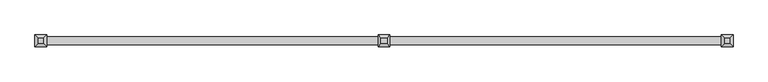
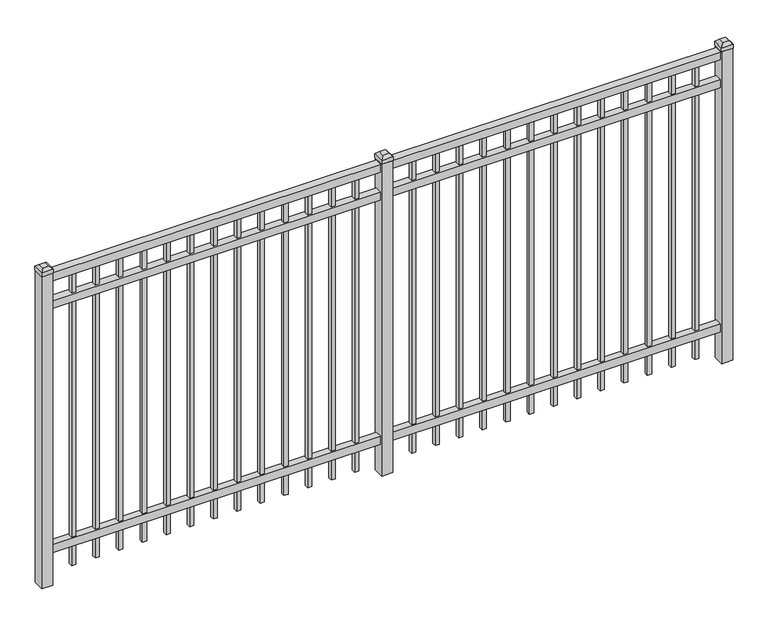
"""IFC4 building model written with IfcOpenShell, lengths in millimetres: railing geometry."""

from ifc_helpers import new_model, si_unit, frame, origin, origin_with_axes, place, context, project, spatial, polyline, outline, extrude, faceted_brep, source, transform, mapped, element, save


def railing_62be7305(model_context):
    return source(origin(), model_context, "Body", "SolidModel", [
        extrude(outline(polyline([(-73537.318087, -3091.1195174), (-73537.318087, -3056.1945174), (-70387.718087, -3056.1945174), (-70387.718087, -3091.1195174), (-73537.318087, -3091.1195174)])), frame((0.0, 0.0, 1485.9), z_axis=(0.0, 0.0, 1.0), x_axis=(1.0, 0.0, 0.0)), (0.0, 0.0, 1.0), 38.1),
        extrude(outline(polyline([(-73537.318087, -3091.1195174), (-73537.318087, -3056.1945174), (-70387.718087, -3056.1945174), (-70387.718087, -3091.1195174), (-73537.318087, -3091.1195174)])), frame((0.0, 0.0, 1349.375), z_axis=(0.0, 0.0, 1.0), x_axis=(1.0, 0.0, 0.0)), (0.0, 0.0, 1.0), 38.1),
        extrude(outline(polyline([(-73537.318087, -3091.1195174), (-73537.318087, -3056.1945174), (-70387.718087, -3056.1945174), (-70387.718087, -3091.1195174), (-73537.318087, -3091.1195174)])), frame((0.0, 0.0, 152.4), z_axis=(0.0, 0.0, 1.0), x_axis=(1.0, 0.0, 0.0)), (0.0, 0.0, 1.0), 38.1),
        extrude(outline(polyline([(-70619.2285036, -3064.1320174), (-70619.2285036, -3083.1820174), (-70638.2785036, -3083.1820174), (-70638.2785036, -3064.1320174), (-70619.2285036, -3064.1320174)])), frame((0.0, 0.0, 50.8), z_axis=(0.0, 0.0, 1.0), x_axis=(1.0, 0.0, 0.0)), (0.0, 0.0, 1.0), 1435.1),
        extrude(outline(polyline([(-70728.5014203, -3064.1320174), (-70728.5014203, -3083.1820174), (-70747.5514203, -3083.1820174), (-70747.5514203, -3064.1320174), (-70728.5014203, -3064.1320174)])), frame((0.0, 0.0, 50.8), z_axis=(0.0, 0.0, 1.0), x_axis=(1.0, 0.0, 0.0)), (0.0, 0.0, 1.0), 1435.1),
        extrude(outline(polyline([(-70837.774337, -3064.1320174), (-70837.774337, -3083.1820174), (-70856.824337, -3083.1820174), (-70856.824337, -3064.1320174), (-70837.774337, -3064.1320174)])), frame((0.0, 0.0, 50.8), z_axis=(0.0, 0.0, 1.0), x_axis=(1.0, 0.0, 0.0)), (0.0, 0.0, 1.0), 1435.1),
        extrude(outline(polyline([(-70947.0472536, -3064.1320174), (-70947.0472536, -3083.1820174), (-70966.0972536, -3083.1820174), (-70966.0972536, -3064.1320174), (-70947.0472536, -3064.1320174)])), frame((0.0, 0.0, 50.8), z_axis=(0.0, 0.0, 1.0), x_axis=(1.0, 0.0, 0.0)), (0.0, 0.0, 1.0), 1435.1),
        extrude(outline(polyline([(-71056.3201703, -3064.1320174), (-71056.3201703, -3083.1820174), (-71075.3701703, -3083.1820174), (-71075.3701703, -3064.1320174), (-71056.3201703, -3064.1320174)])), frame((0.0, 0.0, 50.8), z_axis=(0.0, 0.0, 1.0), x_axis=(1.0, 0.0, 0.0)), (0.0, 0.0, 1.0), 1435.1),
        extrude(outline(polyline([(-71165.593087, -3064.1320174), (-71165.593087, -3083.1820174), (-71184.643087, -3083.1820174), (-71184.643087, -3064.1320174), (-71165.593087, -3064.1320174)])), frame((0.0, 0.0, 50.8), z_axis=(0.0, 0.0, 1.0), x_axis=(1.0, 0.0, 0.0)), (0.0, 0.0, 1.0), 1435.1),
        extrude(outline(polyline([(-71274.8660036, -3064.1320174), (-71274.8660036, -3083.1820174), (-71293.9160036, -3083.1820174), (-71293.9160036, -3064.1320174), (-71274.8660036, -3064.1320174)])), frame((0.0, 0.0, 50.8), z_axis=(0.0, 0.0, 1.0), x_axis=(1.0, 0.0, 0.0)), (0.0, 0.0, 1.0), 1435.1),
        extrude(outline(polyline([(-71384.1389203, -3064.1320174), (-71384.1389203, -3083.1820174), (-71403.1889203, -3083.1820174), (-71403.1889203, -3064.1320174), (-71384.1389203, -3064.1320174)])), frame((0.0, 0.0, 50.8), z_axis=(0.0, 0.0, 1.0), x_axis=(1.0, 0.0, 0.0)), (0.0, 0.0, 1.0), 1435.1),
        extrude(outline(polyline([(-71493.411837, -3064.1320174), (-71493.411837, -3083.1820174), (-71512.461837, -3083.1820174), (-71512.461837, -3064.1320174), (-71493.411837, -3064.1320174)])), frame((0.0, 0.0, 50.8), z_axis=(0.0, 0.0, 1.0), x_axis=(1.0, 0.0, 0.0)), (0.0, 0.0, 1.0), 1435.1),
        extrude(outline(polyline([(-71602.6847536, -3064.1320174), (-71602.6847536, -3083.1820174), (-71621.7347536, -3083.1820174), (-71621.7347536, -3064.1320174), (-71602.6847536, -3064.1320174)])), frame((0.0, 0.0, 50.8), z_axis=(0.0, 0.0, 1.0), x_axis=(1.0, 0.0, 0.0)), (0.0, 0.0, 1.0), 1435.1),
        extrude(outline(polyline([(-71711.9576703, -3064.1320174), (-71711.9576703, -3083.1820174), (-71731.0076703, -3083.1820174), (-71731.0076703, -3064.1320174), (-71711.9576703, -3064.1320174)])), frame((0.0, 0.0, 50.8), z_axis=(0.0, 0.0, 1.0), x_axis=(1.0, 0.0, 0.0)), (0.0, 0.0, 1.0), 1435.1),
        extrude(outline(polyline([(-70509.955587, -3064.1320174), (-70509.955587, -3083.1820174), (-70529.005587, -3083.1820174), (-70529.005587, -3064.1320174), (-70509.955587, -3064.1320174)])), frame((0.0, 0.0, 50.8), z_axis=(0.0, 0.0, 1.0), x_axis=(1.0, 0.0, 0.0)), (0.0, 0.0, 1.0), 1435.1),
        extrude(outline(polyline([(-71821.230587, -3064.1320174), (-71821.230587, -3083.1820174), (-71840.280587, -3083.1820174), (-71840.280587, -3064.1320174), (-71821.230587, -3064.1320174)])), frame((0.0, 0.0, 50.8), z_axis=(0.0, 0.0, 1.0), x_axis=(1.0, 0.0, 0.0)), (0.0, 0.0, 1.0), 1435.1),
        extrude(outline(polyline([(-71937.118087, -3048.2570174), (-71937.118087, -3099.0570174), (-71987.918087, -3099.0570174), (-71987.918087, -3048.2570174), (-71937.118087, -3048.2570174)])), origin_with_axes(), (0.0, 0.0, 1.0), 1530.35),
        faceted_brep([(-71989.505587, -3046.6695174, 1549.4), (-71989.505587, -3046.6695174, 1530.35), (-71989.505587, -3100.6445174, 1530.35), (-71989.505587, -3100.6445174, 1549.4), (-71976.805587, -3059.3695174, 1562.1), (-71976.805587, -3087.9445174, 1562.1), (-71935.530587, -3100.6445174, 1530.35), (-71935.530587, -3100.6445174, 1549.4), (-71948.230587, -3087.9445174, 1562.1), (-71935.530587, -3046.6695174, 1530.35), (-71935.530587, -3046.6695174, 1549.4), (-71948.230587, -3059.3695174, 1562.1)], [[[0, 1, 2, 3]], [[4, 0, 3, 5]], [[3, 2, 6, 7]], [[5, 3, 7, 8]], [[7, 6, 9, 10]], [[8, 7, 10, 11]], [[10, 9, 1, 0]], [[11, 10, 0, 4]], [[5, 8, 11, 4]], [[1, 9, 6, 2]]]),
        extrude(outline(polyline([(-72194.0285036, -3064.1320174), (-72194.0285036, -3083.1820174), (-72213.0785036, -3083.1820174), (-72213.0785036, -3064.1320174), (-72194.0285036, -3064.1320174)])), frame((0.0, 0.0, 50.8), z_axis=(0.0, 0.0, 1.0), x_axis=(1.0, 0.0, 0.0)), (0.0, 0.0, 1.0), 1435.1),
        extrude(outline(polyline([(-72303.3014203, -3064.1320174), (-72303.3014203, -3083.1820174), (-72322.3514203, -3083.1820174), (-72322.3514203, -3064.1320174), (-72303.3014203, -3064.1320174)])), frame((0.0, 0.0, 50.8), z_axis=(0.0, 0.0, 1.0), x_axis=(1.0, 0.0, 0.0)), (0.0, 0.0, 1.0), 1435.1),
        extrude(outline(polyline([(-72412.574337, -3064.1320174), (-72412.574337, -3083.1820174), (-72431.624337, -3083.1820174), (-72431.624337, -3064.1320174), (-72412.574337, -3064.1320174)])), frame((0.0, 0.0, 50.8), z_axis=(0.0, 0.0, 1.0), x_axis=(1.0, 0.0, 0.0)), (0.0, 0.0, 1.0), 1435.1),
        extrude(outline(polyline([(-72521.8472536, -3064.1320174), (-72521.8472536, -3083.1820174), (-72540.8972536, -3083.1820174), (-72540.8972536, -3064.1320174), (-72521.8472536, -3064.1320174)])), frame((0.0, 0.0, 50.8), z_axis=(0.0, 0.0, 1.0), x_axis=(1.0, 0.0, 0.0)), (0.0, 0.0, 1.0), 1435.1),
        extrude(outline(polyline([(-72631.1201703, -3064.1320174), (-72631.1201703, -3083.1820174), (-72650.1701703, -3083.1820174), (-72650.1701703, -3064.1320174), (-72631.1201703, -3064.1320174)])), frame((0.0, 0.0, 50.8), z_axis=(0.0, 0.0, 1.0), x_axis=(1.0, 0.0, 0.0)), (0.0, 0.0, 1.0), 1435.1),
        extrude(outline(polyline([(-72740.393087, -3064.1320174), (-72740.393087, -3083.1820174), (-72759.443087, -3083.1820174), (-72759.443087, -3064.1320174), (-72740.393087, -3064.1320174)])), frame((0.0, 0.0, 50.8), z_axis=(0.0, 0.0, 1.0), x_axis=(1.0, 0.0, 0.0)), (0.0, 0.0, 1.0), 1435.1),
        extrude(outline(polyline([(-72849.6660036, -3064.1320174), (-72849.6660036, -3083.1820174), (-72868.7160036, -3083.1820174), (-72868.7160036, -3064.1320174), (-72849.6660036, -3064.1320174)])), frame((0.0, 0.0, 50.8), z_axis=(0.0, 0.0, 1.0), x_axis=(1.0, 0.0, 0.0)), (0.0, 0.0, 1.0), 1435.1),
        extrude(outline(polyline([(-72958.9389203, -3064.1320174), (-72958.9389203, -3083.1820174), (-72977.9889203, -3083.1820174), (-72977.9889203, -3064.1320174), (-72958.9389203, -3064.1320174)])), frame((0.0, 0.0, 50.8), z_axis=(0.0, 0.0, 1.0), x_axis=(1.0, 0.0, 0.0)), (0.0, 0.0, 1.0), 1435.1),
        extrude(outline(polyline([(-73068.211837, -3064.1320174), (-73068.211837, -3083.1820174), (-73087.261837, -3083.1820174), (-73087.261837, -3064.1320174), (-73068.211837, -3064.1320174)])), frame((0.0, 0.0, 50.8), z_axis=(0.0, 0.0, 1.0), x_axis=(1.0, 0.0, 0.0)), (0.0, 0.0, 1.0), 1435.1),
        extrude(outline(polyline([(-73177.4847536, -3064.1320174), (-73177.4847536, -3083.1820174), (-73196.5347536, -3083.1820174), (-73196.5347536, -3064.1320174), (-73177.4847536, -3064.1320174)])), frame((0.0, 0.0, 50.8), z_axis=(0.0, 0.0, 1.0), x_axis=(1.0, 0.0, 0.0)), (0.0, 0.0, 1.0), 1435.1),
        extrude(outline(polyline([(-73286.7576703, -3064.1320174), (-73286.7576703, -3083.1820174), (-73305.8076703, -3083.1820174), (-73305.8076703, -3064.1320174), (-73286.7576703, -3064.1320174)])), frame((0.0, 0.0, 50.8), z_axis=(0.0, 0.0, 1.0), x_axis=(1.0, 0.0, 0.0)), (0.0, 0.0, 1.0), 1435.1),
        extrude(outline(polyline([(-72084.755587, -3064.1320174), (-72084.755587, -3083.1820174), (-72103.805587, -3083.1820174), (-72103.805587, -3064.1320174), (-72084.755587, -3064.1320174)])), frame((0.0, 0.0, 50.8), z_axis=(0.0, 0.0, 1.0), x_axis=(1.0, 0.0, 0.0)), (0.0, 0.0, 1.0), 1435.1),
        extrude(outline(polyline([(-73396.030587, -3064.1320174), (-73396.030587, -3083.1820174), (-73415.080587, -3083.1820174), (-73415.080587, -3064.1320174), (-73396.030587, -3064.1320174)])), frame((0.0, 0.0, 50.8), z_axis=(0.0, 0.0, 1.0), x_axis=(1.0, 0.0, 0.0)), (0.0, 0.0, 1.0), 1435.1),
        extrude(outline(polyline([(-70362.318087, -3048.2570174), (-70362.318087, -3099.0570174), (-70413.118087, -3099.0570174), (-70413.118087, -3048.2570174), (-70362.318087, -3048.2570174)])), origin_with_axes(), (0.0, 0.0, 1.0), 1530.35),
        faceted_brep([(-70414.705587, -3046.6695174, 1549.4), (-70414.705587, -3046.6695174, 1530.35), (-70414.705587, -3100.6445174, 1530.35), (-70414.705587, -3100.6445174, 1549.4), (-70402.005587, -3059.3695174, 1562.1), (-70402.005587, -3087.9445174, 1562.1), (-70360.730587, -3100.6445174, 1530.35), (-70360.730587, -3100.6445174, 1549.4), (-70373.430587, -3087.9445174, 1562.1), (-70360.730587, -3046.6695174, 1530.35), (-70360.730587, -3046.6695174, 1549.4), (-70373.430587, -3059.3695174, 1562.1)], [[[0, 1, 2, 3]], [[4, 0, 3, 5]], [[3, 2, 6, 7]], [[5, 3, 7, 8]], [[7, 6, 9, 10]], [[8, 7, 10, 11]], [[10, 9, 1, 0]], [[11, 10, 0, 4]], [[5, 8, 11, 4]], [[1, 9, 6, 2]]]),
        extrude(outline(polyline([(-73511.918087, -3048.2570174), (-73511.918087, -3099.0570174), (-73562.718087, -3099.0570174), (-73562.718087, -3048.2570174), (-73511.918087, -3048.2570174)])), origin_with_axes(), (0.0, 0.0, 1.0), 1530.35),
        faceted_brep([(-73564.305587, -3046.6695174, 1549.4), (-73564.305587, -3046.6695174, 1530.35), (-73564.305587, -3100.6445174, 1530.35), (-73564.305587, -3100.6445174, 1549.4), (-73551.605587, -3059.3695174, 1562.1), (-73551.605587, -3087.9445174, 1562.1), (-73510.330587, -3100.6445174, 1530.35), (-73510.330587, -3100.6445174, 1549.4), (-73523.030587, -3087.9445174, 1562.1), (-73510.330587, -3046.6695174, 1530.35), (-73510.330587, -3046.6695174, 1549.4), (-73523.030587, -3059.3695174, 1562.1)], [[[0, 1, 2, 3]], [[4, 0, 3, 5]], [[3, 2, 6, 7]], [[5, 3, 7, 8]], [[7, 6, 9, 10]], [[8, 7, 10, 11]], [[10, 9, 1, 0]], [[11, 10, 0, 4]], [[5, 8, 11, 4]], [[1, 9, 6, 2]]]),
    ])


if __name__ == "__main__":
    model = new_model("IFC4")
    model_context = context("Model", 3, world=origin())
    ifc_project = project(units=[si_unit("LENGTHUNIT", "METRE", prefix="MILLI")], contexts=[model_context])
    site = spatial("IfcSite", under=ifc_project)
    building = spatial("IfcBuilding", under=site)
    placement = place(None, origin())
    railing_shape = railing_62be7305(model_context)
    element("IfcRailing", 1, at=placement, inside=building, context=model_context, shape_type="MappedRepresentation", body=[
        mapped(railing_shape, transform((0.0, 0.0, 0.0), x_axis=(1.0, 0.0, 0.0), y_axis=(0.0, 1.0, 0.0), z_axis=(0.0, 0.0, 1.0))),
    ])
    save(model, "model.ifc")
